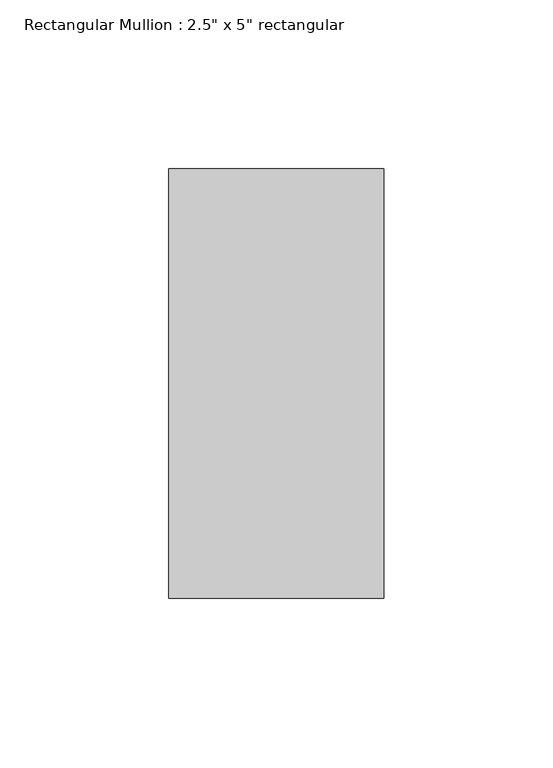
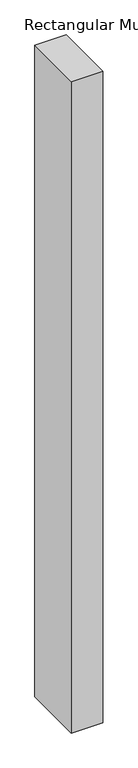
"""IFC4 building model written with IfcOpenShell, lengths in millimetres: member geometry."""

from ifc_helpers import new_model, si_unit, frame, origin, place, context, project, spatial, polyline, outline, extrude, source, transform, mapped, element, save


def member_8bd3e48f(model_context):
    return source(origin(), model_context, "Body", "SweptSolid", [
        extrude(outline(polyline([(31.75, 63.5), (31.75, -63.5), (-31.75, -63.5), (-31.75, 63.5), (31.75, 63.5)])), frame((0.0, 0.0, -1386.5), z_axis=(0.0, 0.0, 1.0), x_axis=(1.0, 0.0, 0.0)), (0.0, 0.0, 1.0), 1386.5),
    ])


if __name__ == "__main__":
    model = new_model("IFC4")
    model_context = context("Model", 3, world=origin())
    ifc_project = project(units=[si_unit("LENGTHUNIT", "METRE", prefix="MILLI")], contexts=[model_context])
    site = spatial("IfcSite", under=ifc_project)
    building = spatial("IfcBuilding", under=site)
    placement = place(None, origin())
    member_shape = member_8bd3e48f(model_context)
    element("IfcMember", 1, ObjectType="Rectangular Mullion : 2.5\" x 5\" rectangular", at=placement, inside=building, context=model_context, shape_type="MappedRepresentation", body=[
        mapped(member_shape, transform((0.0, 0.0, 0.0), x_axis=(1.0, 0.0, 0.0), y_axis=(0.0, 1.0, 0.0), z_axis=(0.0, 0.0, 1.0))),
    ])
    save(model, "model.ifc")
